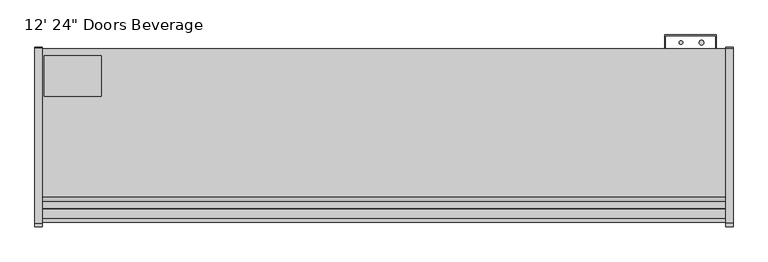
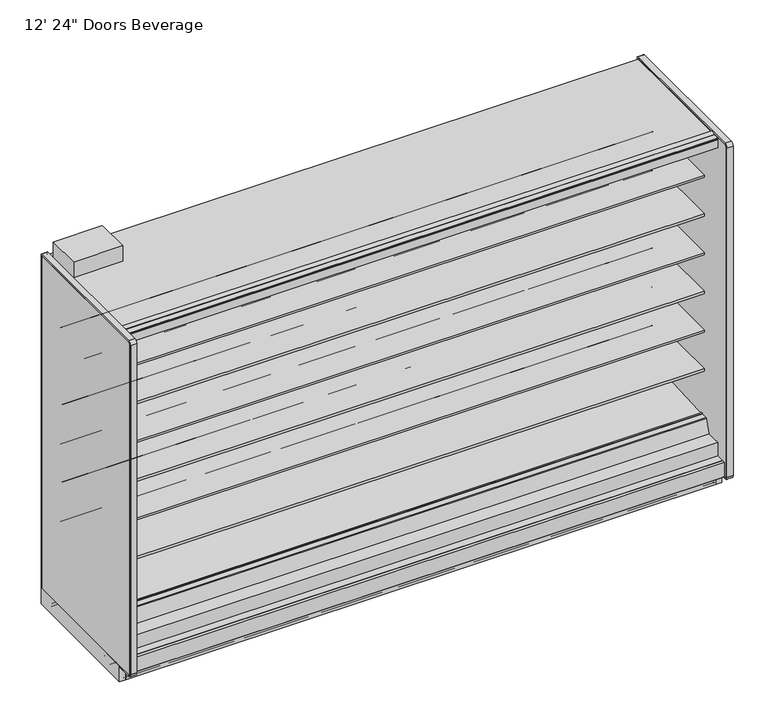
"""IFC4 building model written with IfcOpenShell, lengths in millimetres: proxy geometry."""

from ifc_helpers import new_model, si_unit, point, frame, frame_2d, origin, origin_with_axes, place, context, project, spatial, polyline, circle_curve, trimmed, segment, composite_curve, outline, extrude, source, transform, mapped, element, save
from ifc_brep_helpers import plane_surface, cylinder_surface, revolved_surface, advanced_brep


def proxy_402d285a(model_context):
    return source(origin(), model_context, "Body", "SolidModel", [
        extrude(outline(polyline([(3657.6, -1167.5349267), (3657.6, -1183.4099267), (0.0, -1183.4099267), (0.0, -1167.5349267), (3657.6, -1167.5349267)])), origin_with_axes(), (0.0, 0.0, 1.0), 105.16235),
        extrude(outline(polyline([(315.9000882, -386.7007273), (315.9000882, -605.1295388), (11.1115648, -605.1295388), (11.1115648, -386.7007273), (315.9000882, -386.7007273)])), frame((0.0, 0.0, 2282.825), z_axis=(0.0, 0.0, 1.0), x_axis=(1.0, 0.0, 0.0)), (0.0, 0.0, 1.0), 101.6),
        extrude(outline(composite_curve([segment(trimmed(circle_curve(frame_2d((3526.7930803, -317.2571273)), 12.7), [point((3514.0930803, -317.2571273))], [point((3539.4930803, -317.2571273))], False, "CARTESIAN"), True, "CONTINUOUS"), segment(trimmed(circle_curve(frame_2d((3526.7930803, -317.2571273)), 12.7), [point((3539.4930803, -317.2571273))], [point((3514.0930803, -317.2571273))], False, "CARTESIAN"), True, "CONTINUOUS")], self_intersect=False)), frame((0.0, 0.0, 1447.6965458), z_axis=(0.0, 0.0, 1.0), x_axis=(1.0, 0.0, 0.0)), (0.0, 0.0, 1.0), 508.0),
        extrude(outline(composite_curve([segment(trimmed(circle_curve(frame_2d((3416.8004524, -317.2571273)), 9.525), [point((3407.2754524, -317.2571273))], [point((3426.3254524, -317.2571273))], False, "CARTESIAN"), True, "CONTINUOUS"), segment(trimmed(circle_curve(frame_2d((3416.8004524, -317.2571273)), 9.525), [point((3426.3254524, -317.2571273))], [point((3407.2754524, -317.2571273))], False, "CARTESIAN"), True, "CONTINUOUS")], self_intersect=False)), frame((0.0, 0.0, 1447.6965458), z_axis=(0.0, 0.0, 1.0), x_axis=(1.0, 0.0, 0.0)), (0.0, 0.0, 1.0), 508.0),
        extrude(outline(composite_curve([segment(trimmed(circle_curve(frame_2d((3518.4004524, -526.8071273)), 9.525), [point((3508.8754524, -526.8071273))], [point((3527.9254524, -526.8071273))], False, "CARTESIAN"), True, "CONTINUOUS"), segment(trimmed(circle_curve(frame_2d((3518.4004524, -526.8071273)), 9.525), [point((3527.9254524, -526.8071273))], [point((3508.8754524, -526.8071273))], False, "CARTESIAN"), True, "CONTINUOUS")], self_intersect=False)), frame((0.0, 0.0, 57.8450688), z_axis=(0.0, 0.0, 1.0), x_axis=(1.0, 0.0, 0.0)), (0.0, 0.0, 1.0), 47.3172812),
        extrude(outline(composite_curve([segment(trimmed(circle_curve(frame_2d((3564.8930803, -526.8071273)), 12.7), [point((3552.1930803, -526.8071273))], [point((3577.5930803, -526.8071273))], False, "CARTESIAN"), True, "CONTINUOUS"), segment(trimmed(circle_curve(frame_2d((3564.8930803, -526.8071273)), 12.7), [point((3577.5930803, -526.8071273))], [point((3552.1930803, -526.8071273))], False, "CARTESIAN"), True, "CONTINUOUS")], self_intersect=False)), frame((0.0, 0.0, 57.8450688), z_axis=(0.0, 0.0, 1.0), x_axis=(1.0, 0.0, 0.0)), (0.0, 0.0, 1.0), 47.3172812),
        extrude(outline(composite_curve([segment(trimmed(circle_curve(frame_2d((1828.8, -945.9071273)), 38.1), [point((1790.7, -945.9071273))], [point((1866.9, -945.9071273))], False, "CARTESIAN"), True, "CONTINUOUS"), segment(trimmed(circle_curve(frame_2d((1828.8, -945.9071273)), 38.1), [point((1866.9, -945.9071273))], [point((1790.7, -945.9071273))], False, "CARTESIAN"), True, "CONTINUOUS")], self_intersect=False)), frame((0.0, 0.0, 57.8450688), z_axis=(0.0, 0.0, 1.0), x_axis=(1.0, 0.0, 0.0)), (0.0, 0.0, 1.0), 47.3172812),
        extrude(outline(polyline([(114.3, -411.7999572), (114.3, -462.5999572), (0.0, -462.5999572), (0.0, -411.7999572), (114.3, -411.7999572)])), frame((0.0, 0.0, 63.88735), z_axis=(0.0, 0.0, 1.0), x_axis=(1.0, 0.0, 0.0)), (0.0, 0.0, 1.0), 6.35),
        extrude(outline(polyline([(-349.0071273, 2231.5678), (-349.0071273, 105.16235), (-1256.6126273, 105.16235), (-1256.6126273, 201.2447768), (-1205.5205047, 201.2447768), (-1205.5205047, 169.3369447), (-1112.6665508, 150.0632248), (-401.0517273, 187.3573774), (-401.0517273, 2231.5678), (-349.0071273, 2231.5678)])), frame((0.0, 0.0, 0.0), z_axis=(1.0, 0.0, 0.0), x_axis=(0.0, 1.0, 0.0)), (0.0, 0.0, 1.0), 3657.6),
        advanced_brep(
        [(3657.6, -1018.871097, 105.16235), (3657.6, -1022.1071273, 101.9263197), (3657.6, -1022.1071273, 2.3876), (3657.6, -1019.7195273, 0.0), (3657.6, -982.0132273, 0.0), (3657.6, -982.0132273, 70.23735), (3657.6, -383.2457368, 70.23735), (3657.6, -383.2457368, 0.0), (3657.6, -351.3947273, 0.0), (3657.6, -349.0071273, 2.3876), (3657.6, -349.0071273, 100.830191), (3657.6, -353.3392863, 105.16235), (0.0, -1018.871097, 105.16235), (0.0, -353.3392863, 105.16235), (0.0, -349.0071273, 100.830191), (0.0, -349.0071273, 2.3876), (0.0, -351.3947273, 0.0), (0.0, -383.2457368, 0.0), (0.0, -383.2457368, 70.23735), (0.0, -982.0132273, 70.23735), (0.0, -982.0132273, 0.0), (0.0, -1019.7195273, 0.0), (0.0, -1022.1071273, 2.3876), (0.0, -1022.1071273, 101.9263197), (1879.6, -945.9071273, 105.16235), (1778.0, -945.9071273, 105.16235), (3594.1, -526.8071273, 105.16235), (3492.5, -526.8071273, 105.16235), (1793.0650095, -982.0132273, 70.23735), (1864.5349905, -982.0132273, 70.23735), (1879.6, -945.9071273, 70.23735), (1778.0, -945.9071273, 70.23735), (3492.5, -526.8071273, 70.23735), (3594.1, -526.8071273, 70.23735)],
        [
            (0, 1, circle_curve(frame((3657.6, -1018.871097, 101.9263197), z_axis=(1.0, 0.0, 0.0), x_axis=(0.0, 1.0, 0.0)), 3.2360303)),
            (1, 2),
            (2, 3, circle_curve(frame((3657.6, -1019.7195273, 2.3876), z_axis=(1.0, 0.0, 0.0), x_axis=(0.0, 1.0, 0.0)), 2.3876)),
            (3, 4),
            (4, 5),
            (5, 6),
            (6, 7),
            (7, 8),
            (8, 9, circle_curve(frame((3657.6, -351.3947273, 2.3876), z_axis=(1.0, 0.0, 0.0), x_axis=(0.0, 1.0, 0.0)), 2.3876)),
            (9, 10),
            (10, 11, circle_curve(frame((3657.6, -353.3392863, 100.830191), z_axis=(1.0, 0.0, 0.0), x_axis=(0.0, 1.0, 0.0)), 4.332159)),
            (11, 0),
            (12, 13),
            (13, 14, circle_curve(frame((0.0, -353.3392863, 100.830191), z_axis=(-1.0, 0.0, 0.0), x_axis=(0.0, 1.0, 0.0)), 4.332159)),
            (14, 15),
            (15, 16, circle_curve(frame((0.0, -351.3947273, 2.3876), z_axis=(-1.0, 0.0, 0.0), x_axis=(0.0, 1.0, 0.0)), 2.3876)),
            (16, 17),
            (17, 18),
            (18, 19),
            (19, 20),
            (20, 21),
            (21, 22, circle_curve(frame((0.0, -1019.7195273, 2.3876), z_axis=(-1.0, 0.0, 0.0), x_axis=(0.0, 1.0, 0.0)), 2.3876)),
            (22, 23),
            (23, 12, circle_curve(frame((0.0, -1018.871097, 101.9263197), z_axis=(-1.0, 0.0, 0.0), x_axis=(0.0, 1.0, 0.0)), 3.2360303)),
            (10, 14),
            (13, 11),
            (12, 0),
            (24, 25, circle_curve(frame((1828.8, -945.9071273, 105.16235), z_axis=(0.0, 0.0, -1.0), x_axis=(1.0, 0.0, 0.0)), 50.8)),
            (25, 24, circle_curve(frame((1828.8, -945.9071273, 105.16235), z_axis=(0.0, 0.0, -1.0), x_axis=(1.0, 0.0, 0.0)), 50.8)),
            (26, 27, circle_curve(frame((3543.3, -526.8071273, 105.16235), z_axis=(0.0, 0.0, -1.0), x_axis=(1.0, 0.0, 0.0)), 50.8)),
            (27, 26, circle_curve(frame((3543.3, -526.8071273, 105.16235), z_axis=(0.0, 0.0, -1.0), x_axis=(1.0, 0.0, 0.0)), 50.8)),
            (23, 1),
            (22, 2),
            (21, 3),
            (20, 4),
            (19, 28),
            (28, 29),
            (29, 5),
            (29, 30, circle_curve(frame((1828.8, -945.9071273, 70.23735), z_axis=(0.0, 0.0, 1.0), x_axis=(1.0, 0.0, 0.0)), 50.8)),
            (30, 31, circle_curve(frame((1828.8, -945.9071273, 70.23735), z_axis=(0.0, 0.0, 1.0), x_axis=(1.0, 0.0, 0.0)), 50.8)),
            (31, 28, circle_curve(frame((1828.8, -945.9071273, 70.23735), z_axis=(0.0, 0.0, 1.0), x_axis=(1.0, 0.0, 0.0)), 50.8)),
            (18, 6),
            (32, 33, circle_curve(frame((3543.3, -526.8071273, 70.23735), z_axis=(0.0, 0.0, 1.0), x_axis=(1.0, 0.0, 0.0)), 50.8)),
            (33, 32, circle_curve(frame((3543.3, -526.8071273, 70.23735), z_axis=(0.0, 0.0, 1.0), x_axis=(1.0, 0.0, 0.0)), 50.8)),
            (17, 7),
            (16, 8),
            (15, 9),
            (28, 29, circle_curve(frame((1828.8, -945.9071273, 70.23735), z_axis=(0.0, 0.0, 1.0), x_axis=(1.0, 0.0, 0.0)), 50.8)),
            (24, 30),
            (31, 25),
            (32, 27),
            (26, 33),
        ],
        [
            plane_surface(frame((3657.6, -1015.6350667, 101.9263197), z_axis=(1.0, 0.0, 0.0), x_axis=(0.0, 0.0, 1.0))),
            plane_surface(frame((0.0, -1015.6350667, 101.9263197), z_axis=(-1.0, 0.0, 0.0), x_axis=(0.0, 0.0, -1.0))),
            cylinder_surface(frame((0.0, -353.3392863, 100.830191), z_axis=(1.0, 0.0, 0.0), x_axis=(0.0, 1.0, 0.0)), 4.332159),
            plane_surface(frame((3657.6, -353.3392863, 105.16235), z_axis=(0.0, 0.0, 1.0), x_axis=(-1.0, 0.0, 0.0))),
            cylinder_surface(frame((0.0, -1018.871097, 101.9263197), z_axis=(1.0, 0.0, 0.0), x_axis=(0.0, 1.0, 0.0)), 3.2360303),
            plane_surface(frame((3657.6, -1022.1071273, 101.9263197), z_axis=(0.0, -1.0, 0.0), x_axis=(-1.0, 0.0, 0.0))),
            cylinder_surface(frame((0.0, -1019.7195273, 2.3876), z_axis=(1.0, 0.0, 0.0), x_axis=(0.0, 1.0, 0.0)), 2.3876),
            plane_surface(frame((3657.6, -1019.7195273, 0.0), z_axis=(0.0, 0.0, -1.0), x_axis=(-1.0, 0.0, 0.0))),
            plane_surface(frame((3657.6, -982.0132273, 0.0), z_axis=(0.0, 1.0, 0.0), x_axis=(-1.0, 0.0, 0.0))),
            plane_surface(frame((3657.6, -982.0132273, 70.23735), z_axis=(0.0, 0.0, -1.0), x_axis=(-1.0, 0.0, 0.0))),
            plane_surface(frame((3657.6, -383.2457368, 70.23735), z_axis=(0.0, -1.0, 0.0), x_axis=(-1.0, 0.0, 0.0))),
            plane_surface(frame((3657.6, -383.2457368, 0.0), z_axis=(0.0, 0.0, -1.0), x_axis=(-1.0, 0.0, 0.0))),
            cylinder_surface(frame((0.0, -351.3947273, 2.3876), z_axis=(1.0, 0.0, 0.0), x_axis=(0.0, 1.0, 0.0)), 2.3876),
            plane_surface(frame((1879.6, -945.9071273, 70.23735), z_axis=(0.0, 0.0, 1.0), x_axis=(0.0, -1.0, 0.0))),
            revolved_surface(polyline([(1879.6, -945.9071273, 105.16235), (1879.6, -945.9071273, 70.23735)]), (1828.8, -945.9071273, 70.23735), (0.0, 0.0, 1.0)),
            revolved_surface(polyline([(3594.1000000000004, -526.8071273, 105.16235), (3594.1000000000004, -526.8071273, 70.23735)]), (3543.3, -526.8071273, 0.0), (0.0, 0.0, 1.0)),
            plane_surface(frame((3657.6, -349.0071273, 2.3876), z_axis=(0.0, 1.0, 0.0), x_axis=(-1.0, 0.0, 0.0))),
        ],
        [
            (0, [[1, 2, 3, 4, 5, 6, 7, 8, 9, 10, 11, 12]]),
            (1, [[13, 14, 15, 16, 17, 18, 19, 20, 21, 22, 23, 24]]),
            (2, [[-11, 25, -14, 26]]),
            (3, [[-12, -26, -13, 27], [28, 29], [30, 31]]),
            (4, [[-1, -27, -24, 32]]),
            (5, [[-2, -32, -23, 33]]),
            (6, [[-3, -33, -22, 34]]),
            (7, [[-4, -34, -21, 35]]),
            (8, [[-5, -35, -20, 36, 37, 38]]),
            (9, [[-6, -38, 39, 40, 41, -36, -19, 42], [43, 44]]),
            (10, [[-7, -42, -18, 45]]),
            (11, [[-8, -45, -17, 46]]),
            (12, [[-9, -46, -16, 47]]),
            (13, [[48, -37]]),
            (14, [[49, -39, -48, -41, 50, -28]]),
            (14, [[-49, -29, -50, -40]]),
            (15, [[51, -30, 52, -43]]),
            (15, [[-51, -44, -52, -31]]),
            (16, [[-10, -47, -15, -25]]),
        ],
    ),
        extrude(outline(polyline([(3330.575, -349.0071273), (3330.575, -275.9821273), (3606.8, -275.9821273), (3606.8, -349.0071273), (3603.625, -349.0071273), (3603.625, -279.1571273), (3333.75, -279.1571273), (3333.75, -349.0071273), (3330.575, -349.0071273)])), frame((0.0, 0.0, 304.927), z_axis=(0.0, 0.0, 1.0), x_axis=(1.0, 0.0, 0.0)), (0.0, 0.0, 1.0), 1523.3666145),
        extrude(outline(composite_curve([segment(polyline([(-452.3089273, 610.906076), (-470.5727913, 610.5955195)]), True, "CONTINUOUS"), segment(trimmed(circle_curve(frame_2d((-471.0046274, 635.9918483)), 25.4), [point((-470.5727913, 610.5955195))], [point((-486.9819836, 616.2463656))], False, "CARTESIAN"), True, "CONTINUOUS"), segment(polyline([(-486.9819836, 616.2463656), (-504.8340447, 630.6916311)]), True, "CONTINUOUS"), segment(trimmed(circle_curve(frame_2d((-544.7774354, 581.3279244)), 63.5), [point((-504.8340447, 630.6916311))], [point((-536.8795542, 644.3348563))], True, "CARTESIAN"), True, "CONTINUOUS"), segment(polyline([(-536.8795542, 644.3348563), (-751.3282218, 668.0319937), (-752.8169983, 671.4725458), (-1061.9089273, 671.4725458), (-1061.9089273, 685.6965458), (-452.3089273, 685.6965458), (-452.3089273, 610.906076)]), True, "CONTINUOUS")], self_intersect=False)), frame((0.0, 0.0, 0.0), z_axis=(1.0, 0.0, 0.0), x_axis=(0.0, 1.0, 0.0)), (0.0, 0.0, 1.0), 3657.6),
        extrude(outline(composite_curve([segment(polyline([(-452.3089273, 864.906076), (-470.5727913, 864.5955195)]), True, "CONTINUOUS"), segment(trimmed(circle_curve(frame_2d((-471.0046274, 889.9918483)), 25.4), [point((-470.5727913, 864.5955195))], [point((-486.9819836, 870.2463656))], False, "CARTESIAN"), True, "CONTINUOUS"), segment(polyline([(-486.9819836, 870.2463656), (-504.8340447, 884.6916311)]), True, "CONTINUOUS"), segment(trimmed(circle_curve(frame_2d((-544.7774354, 835.3279244)), 63.5), [point((-504.8340447, 884.6916311))], [point((-536.8795542, 898.3348563))], True, "CARTESIAN"), True, "CONTINUOUS"), segment(polyline([(-536.8795542, 898.3348563), (-751.3282218, 922.0319937), (-752.8169983, 925.4725458), (-1061.9089273, 925.4725458), (-1061.9089273, 939.6965458), (-452.3089273, 939.6965458), (-452.3089273, 864.906076)]), True, "CONTINUOUS")], self_intersect=False)), frame((0.0, 0.0, 0.0), z_axis=(1.0, 0.0, 0.0), x_axis=(0.0, 1.0, 0.0)), (0.0, 0.0, 1.0), 3657.6),
        extrude(outline(composite_curve([segment(polyline([(-452.3089273, 1118.906076), (-470.5727913, 1118.5955195)]), True, "CONTINUOUS"), segment(trimmed(circle_curve(frame_2d((-471.0046274, 1143.9918483)), 25.4), [point((-470.5727913, 1118.5955195))], [point((-486.9819836, 1124.2463656))], False, "CARTESIAN"), True, "CONTINUOUS"), segment(polyline([(-486.9819836, 1124.2463656), (-504.8340447, 1138.6916311)]), True, "CONTINUOUS"), segment(trimmed(circle_curve(frame_2d((-544.7774354, 1089.3279244)), 63.5), [point((-504.8340447, 1138.6916311))], [point((-536.8795542, 1152.3348563))], True, "CARTESIAN"), True, "CONTINUOUS"), segment(polyline([(-536.8795542, 1152.3348563), (-751.3282218, 1176.0319937), (-752.8169983, 1179.4725458), (-1061.9089273, 1179.4725458), (-1061.9089273, 1193.6965458), (-452.3089273, 1193.6965458), (-452.3089273, 1118.906076)]), True, "CONTINUOUS")], self_intersect=False)), frame((0.0, 0.0, 0.0), z_axis=(1.0, 0.0, 0.0), x_axis=(0.0, 1.0, 0.0)), (0.0, 0.0, 1.0), 3657.6),
        extrude(outline(composite_curve([segment(polyline([(-452.3089273, 1372.906076), (-470.5727913, 1372.5955195)]), True, "CONTINUOUS"), segment(trimmed(circle_curve(frame_2d((-471.0046274, 1397.9918483)), 25.4), [point((-470.5727913, 1372.5955195))], [point((-486.9819836, 1378.2463656))], False, "CARTESIAN"), True, "CONTINUOUS"), segment(polyline([(-486.9819836, 1378.2463656), (-504.8340447, 1392.6916311)]), True, "CONTINUOUS"), segment(trimmed(circle_curve(frame_2d((-544.7774354, 1343.3279244)), 63.5), [point((-504.8340447, 1392.6916311))], [point((-536.8795542, 1406.3348563))], True, "CARTESIAN"), True, "CONTINUOUS"), segment(polyline([(-536.8795542, 1406.3348563), (-751.3282218, 1430.0319937), (-752.8169983, 1433.4725458), (-1061.9089273, 1433.4725458), (-1061.9089273, 1447.6965458), (-452.3089273, 1447.6965458), (-452.3089273, 1372.906076)]), True, "CONTINUOUS")], self_intersect=False)), frame((0.0, 0.0, 0.0), z_axis=(1.0, 0.0, 0.0), x_axis=(0.0, 1.0, 0.0)), (0.0, 0.0, 1.0), 3657.6),
        extrude(outline(composite_curve([segment(polyline([(-452.3089273, 1626.906076), (-470.5727913, 1626.5955195)]), True, "CONTINUOUS"), segment(trimmed(circle_curve(frame_2d((-471.0046274, 1651.9918483)), 25.4), [point((-470.5727913, 1626.5955195))], [point((-486.9819836, 1632.2463656))], False, "CARTESIAN"), True, "CONTINUOUS"), segment(polyline([(-486.9819836, 1632.2463656), (-504.8340447, 1646.6916311)]), True, "CONTINUOUS"), segment(trimmed(circle_curve(frame_2d((-544.7774354, 1597.3279244)), 63.5), [point((-504.8340447, 1646.6916311))], [point((-536.8795542, 1660.3348563))], True, "CARTESIAN"), True, "CONTINUOUS"), segment(polyline([(-536.8795542, 1660.3348563), (-751.3282218, 1684.0319937), (-752.8169983, 1687.4725458), (-1061.9089273, 1687.4725458), (-1061.9089273, 1701.6965458), (-452.3089273, 1701.6965458), (-452.3089273, 1626.906076)]), True, "CONTINUOUS")], self_intersect=False)), frame((0.0, 0.0, 0.0), z_axis=(1.0, 0.0, 0.0), x_axis=(0.0, 1.0, 0.0)), (0.0, 0.0, 1.0), 3657.6),
        extrude(outline(composite_curve([segment(polyline([(-452.3089273, 1880.906076), (-470.5727913, 1880.5955195)]), True, "CONTINUOUS"), segment(trimmed(circle_curve(frame_2d((-471.0046274, 1905.9918483)), 25.4), [point((-470.5727913, 1880.5955195))], [point((-486.9819836, 1886.2463656))], False, "CARTESIAN"), True, "CONTINUOUS"), segment(polyline([(-486.9819836, 1886.2463656), (-504.8340447, 1900.6916311)]), True, "CONTINUOUS"), segment(trimmed(circle_curve(frame_2d((-544.7774354, 1851.3279244)), 63.5), [point((-504.8340447, 1900.6916311))], [point((-536.8795542, 1914.3348563))], True, "CARTESIAN"), True, "CONTINUOUS"), segment(polyline([(-536.8795542, 1914.3348563), (-751.3282218, 1938.0319937), (-752.8169983, 1941.4725458), (-1061.9089273, 1941.4725458), (-1061.9089273, 1955.6965458), (-452.3089273, 1955.6965458), (-452.3089273, 1880.906076)]), True, "CONTINUOUS")], self_intersect=False)), frame((0.0, 0.0, 0.0), z_axis=(1.0, 0.0, 0.0), x_axis=(0.0, 1.0, 0.0)), (0.0, 0.0, 1.0), 3657.6),
        advanced_brep(
        [(3657.6, -562.1054156, 392.489408), (3657.6, -565.4345004, 395.3833373), (3657.6, -1028.1778581, 371.1319845), (3657.6, -1031.8816746, 374.3516629), (3657.6, -1032.3723429, 379.9600263), (3657.6, -1039.3602618, 380.0840123), (3657.6, -1037.6796074, 360.8740328), (3657.6, -1031.0214377, 355.0861739), (3657.6, -564.4043684, 379.5405382), (3657.6, -561.4040704, 382.9438378), (0.0, -562.1054156, 392.489408), (0.0, -561.4040704, 382.9438378), (0.0, -564.4043684, 379.5405382), (0.0, -1031.0214377, 355.0861739), (0.0, -1037.6796074, 360.8740328), (0.0, -1039.3602618, 380.0840123), (0.0, -1032.4336802, 379.95466), (0.0, -1031.8816746, 374.3516629), (0.0, -1028.1778581, 371.1319845), (0.0, -565.4345004, 395.3833373)],
        [
            (0, 1, circle_curve(frame((3657.6, -565.2683338, 392.2126885), z_axis=(1.0, 0.0, 0.0), x_axis=(0.0, 1.0, 0.0)), 3.175)),
            (1, 2),
            (2, 3, circle_curve(frame((3657.6, -1028.362729, 374.6595308), z_axis=(-1.0, 0.0, 0.0), x_axis=(0.0, 1.0, 0.0)), 3.5323874)),
            (3, 4),
            (4, 5, circle_curve(frame((3657.6, -1035.9038485, 379.6510595), z_axis=(1.0, 0.0, 0.0), x_axis=(0.0, 1.0, 0.0)), 3.4834238)),
            (5, 6),
            (6, 7, circle_curve(frame((3657.6, -1031.353771, 361.4274714), z_axis=(1.0, 0.0, 0.0), x_axis=(0.0, 1.0, 0.0)), 6.35)),
            (7, 8),
            (8, 9, circle_curve(frame((3657.6, -564.5705351, 382.711187), z_axis=(1.0, 0.0, 0.0), x_axis=(0.0, 1.0, 0.0)), 3.175)),
            (9, 0),
            (10, 11),
            (11, 12, circle_curve(frame((0.0, -564.5705351, 382.711187), z_axis=(-1.0, 0.0, 0.0), x_axis=(0.0, 1.0, 0.0)), 3.175)),
            (12, 13),
            (13, 14, circle_curve(frame((0.0, -1031.353771, 361.4274714), z_axis=(-1.0, 0.0, 0.0), x_axis=(0.0, 1.0, 0.0)), 6.35)),
            (14, 15),
            (15, 16, circle_curve(frame((0.0, -1035.9038485, 379.6510595), z_axis=(-1.0, 0.0, 0.0), x_axis=(0.0, 1.0, 0.0)), 3.4834238)),
            (16, 17),
            (17, 18, circle_curve(frame((0.0, -1028.362729, 374.6595308), z_axis=(1.0, 0.0, 0.0), x_axis=(0.0, 1.0, 0.0)), 3.5323874)),
            (18, 19),
            (19, 10, circle_curve(frame((0.0, -565.2683338, 392.2126885), z_axis=(-1.0, 0.0, 0.0), x_axis=(0.0, 1.0, 0.0)), 3.175)),
            (0, 10),
            (19, 1),
            (18, 2),
            (17, 3),
            (16, 4),
            (15, 5),
            (14, 6),
            (13, 7),
            (12, 8),
            (11, 9),
        ],
        [
            plane_surface(frame((3657.6, -562.0933338, 392.2126885), z_axis=(1.0, 0.0, 0.0), x_axis=(0.0, 0.0, 1.0))),
            plane_surface(frame((0.0, -562.0933338, 392.2126885), z_axis=(-1.0, 0.0, 0.0), x_axis=(0.0, 0.0, -1.0))),
            cylinder_surface(frame((0.0, -565.2683338, 392.2126885), z_axis=(1.0, 0.0, 0.0), x_axis=(0.0, 1.0, 0.0)), 3.175),
            plane_surface(frame((3657.6, -565.4345004, 395.3833373), z_axis=(0.0, -0.05233595857633936, 0.9986295346322859), x_axis=(-1.0, 0.0, 0.0))),
            revolved_surface(polyline([(0.0, -1024.8303415999999, 374.6595308), (3657.6, -1024.8303415999999, 374.6595308)]), (0.0, -1028.362729, 374.6595308), (-1.0, 0.0, 0.0)),
            plane_surface(frame((3657.6, -1031.8816746, 374.3516629), z_axis=(0.0, 0.9961946955698885, 0.08715577157261226), x_axis=(-1.0, 0.0, 0.0))),
            cylinder_surface(frame((0.0, -1035.9038485, 379.6510595), z_axis=(1.0, 0.0, 0.0), x_axis=(0.0, 1.0, 0.0)), 3.4834238),
            plane_surface(frame((3657.6, -1039.3602618, 380.0840123), z_axis=(0.0, -0.9961947025639891, -0.08715569162966595), x_axis=(-1.0, 0.0, 0.0))),
            cylinder_surface(frame((0.0, -1031.353771, 361.4274714), z_axis=(1.0, 0.0, 0.0), x_axis=(0.0, 1.0, 0.0)), 6.35),
            plane_surface(frame((3657.6, -1031.0214377, 355.0861739), z_axis=(0.0, 0.05233595624300962, -0.9986295347545704), x_axis=(-1.0, 0.0, 0.0))),
            cylinder_surface(frame((0.0, -564.5705351, 382.711187), z_axis=(1.0, 0.0, 0.0), x_axis=(0.0, 1.0, 0.0)), 3.175),
            plane_surface(frame((3657.6, -561.4040704, 382.9438378), z_axis=(0.0, 0.9973117114183065, 0.07327585050948633), x_axis=(-1.0, 0.0, 0.0))),
        ],
        [
            (0, [[1, 2, 3, 4, 5, 6, 7, 8, 9, 10]]),
            (1, [[11, 12, 13, 14, 15, 16, 17, 18, 19, 20]]),
            (2, [[-1, 21, -20, 22]]),
            (3, [[-2, -22, -19, 23]]),
            (4, [[-3, -23, -18, 24]]),
            (5, [[-4, -24, -17, 25]]),
            (6, [[-5, -25, -16, 26]]),
            (7, [[-6, -26, -15, 27]]),
            (8, [[-7, -27, -14, 28]]),
            (9, [[-8, -28, -13, 29]]),
            (10, [[-9, -29, -12, 30]]),
            (11, [[-10, -30, -11, -21]]),
        ],
    ),
        extrude(outline(composite_curve([segment(polyline([(-452.3089273, 2205.7106), (-1055.5314174, 2205.7106), (-1076.6649541, 2210.5896614), (-1079.1443307, 2198.9251118)]), True, "CONTINUOUS"), segment(trimmed(circle_curve(frame_2d((-1080.6350276, 2199.2419692)), 1.524), [point((-1079.1443307, 2198.9251118))], [point((-1080.9518851, 2197.7512722))], False, "CARTESIAN"), True, "CONTINUOUS"), segment(polyline([(-1080.9518851, 2197.7512722), (-1146.9989273, 2211.7900045), (-1146.9989273, 2210.4040825)]), True, "CONTINUOUS"), segment(trimmed(circle_curve(frame_2d((-1149.3773588, 2210.6131219)), 2.3876), [point((-1146.9989273, 2210.4040825))], [point((-1149.3773097, 2208.2255219))], False, "CARTESIAN"), True, "CONTINUOUS"), segment(polyline([(-1149.3773097, 2208.2255219), (-1160.0080838, 2208.2253035), (-1160.0080838, 2223.5012119), (-1205.5205273, 2223.5012119), (-1205.5205273, 2282.0376)]), True, "CONTINUOUS"), segment(trimmed(circle_curve(frame_2d((-1204.7331273, 2282.0376)), 0.7874), [point((-1205.5205273, 2282.0376))], [point((-1204.7331273, 2282.825))], False, "CARTESIAN"), True, "CONTINUOUS"), segment(polyline([(-1204.7331273, 2282.825), (-349.0071273, 2282.825), (-349.0071273, 2231.5678), (-452.3089273, 2231.5678), (-452.3089273, 2205.7106)]), True, "CONTINUOUS")], self_intersect=False)), frame((0.0, 0.0, 0.0), z_axis=(1.0, 0.0, 0.0), x_axis=(0.0, 1.0, 0.0)), (0.0, 0.0, 1.0), 3657.6),
        extrude(outline(composite_curve([segment(polyline([(-1263.5976273, 105.16235), (-1274.6466273, 105.16235)]), True, "CONTINUOUS"), segment(trimmed(circle_curve(frame_2d((-1274.6466273, 106.81335)), 1.651), [point((-1274.6466273, 105.16235))], [point((-1276.2976273, 106.81335))], False, "CARTESIAN"), True, "CONTINUOUS"), segment(polyline([(-1276.2976273, 106.81335), (-1276.2976273, 201.2447768), (-1256.6126273, 201.2447768), (-1256.6126273, 106.62285), (-1263.5976273, 106.62285), (-1263.5976273, 105.16235)]), True, "CONTINUOUS")], self_intersect=False)), frame((0.0, 0.0, 0.0), z_axis=(1.0, 0.0, 0.0), x_axis=(0.0, 1.0, 0.0)), (0.0, 0.0, 1.0), 3657.6),
        extrude(outline(composite_curve([segment(polyline([(-1205.5205047, 288.3361558), (-1111.5273572, 288.3361558), (-1083.6940162, 372.3488205)]), True, "CONTINUOUS"), segment(trimmed(circle_curve(frame_2d((-1077.6662092, 370.3518119)), 6.35), [point((-1083.6940162, 372.3488205))], [point((-1077.6662092, 376.7018119))], False, "CARTESIAN"), True, "CONTINUOUS"), segment(polyline([(-1077.6662092, 376.7018119), (-1043.9140632, 376.7018119)]), True, "CONTINUOUS"), segment(trimmed(circle_curve(frame_2d((-1043.9140632, 372.471676)), 4.2301359), [point((-1043.9140632, 376.7018119))], [point((-1039.6839273, 372.471676))], False, "CARTESIAN"), True, "CONTINUOUS"), segment(polyline([(-1039.6839273, 372.471676), (-1039.6839273, 354.632192), (-560.553361, 379.742361), (-560.9721481, 391.7348557)]), True, "CONTINUOUS"), segment(trimmed(circle_curve(frame_2d((-556.4536725, 391.8926443)), 4.5212298), [point((-560.9721481, 391.7348557))], [point((-556.6114611, 396.41112))], False, "CARTESIAN"), True, "CONTINUOUS"), segment(polyline([(-556.6114611, 396.41112), (-470.3276537, 399.4242169)]), True, "CONTINUOUS"), segment(trimmed(circle_curve(frame_2d((-470.3772309, 400.8439205)), 1.420569), [point((-470.3276537, 399.4242169))], [point((-468.9575273, 400.8934976))], True, "CARTESIAN"), True, "CONTINUOUS"), segment(polyline([(-468.9575273, 400.8934976), (-469.2184151, 408.3643476)]), True, "CONTINUOUS"), segment(trimmed(circle_curve(frame_2d((-467.1682375, 408.4359413)), 2.0514273), [point((-469.2184151, 408.3643476))], [point((-467.2398313, 410.486119))], False, "CARTESIAN"), True, "CONTINUOUS"), segment(polyline([(-467.2398313, 410.486119), (-452.3089273, 411.0075176), (-452.3089273, 263.5334166), (-401.0517273, 263.5334166), (-401.0517273, 187.3573774), (-1112.6665508, 150.0632248), (-1205.5205047, 169.3369447), (-1205.5205047, 288.3361558)]), True, "CONTINUOUS")], self_intersect=False)), frame((0.0, 0.0, 0.0), z_axis=(1.0, 0.0, 0.0), x_axis=(0.0, 1.0, 0.0)), (0.0, 0.0, 1.0), 3657.6),
        extrude(outline(polyline([(3657.6, -401.0517273), (3657.6, -452.3089273), (0.0, -452.3089273), (0.0, -401.0517273), (3657.6, -401.0517273)])), frame((0.0, 0.0, 263.5334166), z_axis=(0.0, 0.0, 1.0), x_axis=(1.0, 0.0, 0.0)), (0.0, 0.0, 1.0), 1968.0343834),
        extrude(outline(composite_curve([segment(polyline([(-996.7011791, 30.0863), (-1022.1071273, 30.150134), (-1022.1071273, 1.512412), (-1162.480805, 1.5240398)]), True, "CONTINUOUS"), segment(trimmed(circle_curve(frame_2d((-1162.4803863, 6.5785802)), 5.0545404), [point((-1162.480805, 1.5240398))], [point((-1167.5349267, 6.5785802))], False, "CARTESIAN"), True, "CONTINUOUS"), segment(polyline([(-1167.5349267, 6.5785802), (-1167.5349267, 105.16235), (-996.7011791, 105.16235), (-996.7011791, 30.0863)]), True, "CONTINUOUS")], self_intersect=False)), frame((0.0, 0.0, 0.0), z_axis=(1.0, 0.0, 0.0), x_axis=(0.0, 1.0, 0.0)), (0.0, 0.0, 1.0), 3657.6),
        extrude(outline(composite_curve([segment(polyline([(-981.2258273, 0.0), (-1016.1381273, 0.0)]), True, "CONTINUOUS"), segment(trimmed(circle_curve(frame_2d((-1016.1381273, 5.1562)), 5.1562), [point((-1016.1381273, 0.0))], [point((-1021.2943273, 5.1562))], False, "CARTESIAN"), True, "CONTINUOUS"), segment(polyline([(-1021.2943273, 5.1562), (-1021.2943273, 24.892), (-1018.5257273, 24.892), (-1018.5257273, 5.1562)]), True, "CONTINUOUS"), segment(trimmed(circle_curve(frame_2d((-1016.1381273, 5.1562)), 2.3876), [point((-1018.5257273, 5.1562))], [point((-1016.1381273, 2.7686))], True, "CARTESIAN"), True, "CONTINUOUS"), segment(polyline([(-1016.1381273, 2.7686), (-981.2258273, 2.7686)]), True, "CONTINUOUS"), segment(trimmed(circle_curve(frame_2d((-981.2258273, 5.1562)), 2.3876), [point((-981.2258273, 2.7686))], [point((-978.8382273, 5.1562))], True, "CARTESIAN"), True, "CONTINUOUS"), segment(polyline([(-978.8382273, 5.1562), (-978.8382273, 20.5359)]), True, "CONTINUOUS"), segment(trimmed(circle_curve(frame_2d((-973.6820273, 20.5359)), 5.1562), [point((-978.8382273, 20.5359))], [point((-973.6820273, 25.6921))], False, "CARTESIAN"), True, "CONTINUOUS"), segment(polyline([(-973.6820273, 25.6921), (-962.4552273, 25.6921)]), True, "CONTINUOUS"), segment(trimmed(circle_curve(frame_2d((-962.4552273, 20.5359)), 5.1562), [point((-962.4552273, 25.6921))], [point((-957.2990273, 20.5359))], False, "CARTESIAN"), True, "CONTINUOUS"), segment(polyline([(-957.2990273, 20.5359), (-957.2990273, 5.1054), (-960.0676273, 5.1054), (-960.0676273, 20.5359)]), True, "CONTINUOUS"), segment(trimmed(circle_curve(frame_2d((-962.4552273, 20.5359)), 2.3876), [point((-960.0676273, 20.5359))], [point((-962.4552273, 22.9235))], True, "CARTESIAN"), True, "CONTINUOUS"), segment(polyline([(-962.4552273, 22.9235), (-973.6820273, 22.9235)]), True, "CONTINUOUS"), segment(trimmed(circle_curve(frame_2d((-973.6820273, 20.5359)), 2.3876), [point((-973.6820273, 22.9235))], [point((-976.0696273, 20.5359))], True, "CARTESIAN"), True, "CONTINUOUS"), segment(polyline([(-976.0696273, 20.5359), (-976.0696273, 5.1562)]), True, "CONTINUOUS"), segment(trimmed(circle_curve(frame_2d((-981.2258273, 5.1562)), 5.1562), [point((-976.0696273, 5.1562))], [point((-981.2258273, 0.0))], False, "CARTESIAN"), True, "CONTINUOUS")], self_intersect=False)), frame((0.0, 0.0, 0.0), z_axis=(1.0, 0.0, 0.0), x_axis=(0.0, 1.0, 0.0)), (0.0, 0.0, 1.0), 3657.6),
        extrude(outline(composite_curve([segment(trimmed(circle_curve(frame_2d((-389.0756273, 5.1562)), 5.1562), [point((-389.0756273, 0.0))], [point((-394.2318273, 5.1562))], False, "CARTESIAN"), True, "CONTINUOUS"), segment(polyline([(-394.2318273, 5.1562), (-394.2318273, 20.5359)]), True, "CONTINUOUS"), segment(trimmed(circle_curve(frame_2d((-396.6194273, 20.5359)), 2.3876), [point((-394.2318273, 20.5359))], [point((-396.6194273, 22.9235))], True, "CARTESIAN"), True, "CONTINUOUS"), segment(polyline([(-396.6194273, 22.9235), (-407.8462273, 22.9235)]), True, "CONTINUOUS"), segment(trimmed(circle_curve(frame_2d((-407.8462273, 20.5359)), 2.3876), [point((-407.8462273, 22.9235))], [point((-410.2338273, 20.5359))], True, "CARTESIAN"), True, "CONTINUOUS"), segment(polyline([(-410.2338273, 20.5359), (-410.2338273, 5.1054), (-413.0024273, 5.1054), (-413.0024273, 20.5359)]), True, "CONTINUOUS"), segment(trimmed(circle_curve(frame_2d((-407.8462273, 20.5359)), 5.1562), [point((-413.0024273, 20.5359))], [point((-407.8462273, 25.6921))], False, "CARTESIAN"), True, "CONTINUOUS"), segment(polyline([(-407.8462273, 25.6921), (-396.6194273, 25.6921)]), True, "CONTINUOUS"), segment(trimmed(circle_curve(frame_2d((-396.6194273, 20.5359)), 5.1562), [point((-396.6194273, 25.6921))], [point((-391.4632273, 20.5359))], False, "CARTESIAN"), True, "CONTINUOUS"), segment(polyline([(-391.4632273, 20.5359), (-391.4632273, 5.1562)]), True, "CONTINUOUS"), segment(trimmed(circle_curve(frame_2d((-389.0756273, 5.1562)), 2.3876), [point((-391.4632273, 5.1562))], [point((-389.0756273, 2.7686))], True, "CARTESIAN"), True, "CONTINUOUS"), segment(polyline([(-389.0756273, 2.7686), (-354.1633273, 2.7686)]), True, "CONTINUOUS"), segment(trimmed(circle_curve(frame_2d((-354.1633273, 5.1562)), 2.3876), [point((-354.1633273, 2.7686))], [point((-351.7757273, 5.1562))], True, "CARTESIAN"), True, "CONTINUOUS"), segment(polyline([(-351.7757273, 5.1562), (-351.7757273, 24.892), (-349.0071273, 24.892), (-349.0071273, 5.1562)]), True, "CONTINUOUS"), segment(trimmed(circle_curve(frame_2d((-354.1633273, 5.1562)), 5.1562), [point((-349.0071273, 5.1562))], [point((-354.1633273, 0.0))], False, "CARTESIAN"), True, "CONTINUOUS"), segment(polyline([(-354.1633273, 0.0), (-389.0756273, 0.0)]), True, "CONTINUOUS")], self_intersect=False)), frame((0.0, 0.0, 0.0), z_axis=(1.0, 0.0, 0.0), x_axis=(0.0, 1.0, 0.0)), (0.0, 0.0, 1.0), 3657.6),
        extrude(outline(composite_curve([segment(polyline([(-1144.001082, 2296.5368641), (-1143.416882, 2295.525), (-1164.9600823, 2283.0870275)]), True, "CONTINUOUS"), segment(trimmed(circle_curve(frame_2d((-1165.9379823, 2284.7808)), 1.9558), [point((-1164.9600823, 2283.0870275))], [point((-1165.9379823, 2282.825))], False, "CARTESIAN"), True, "CONTINUOUS"), segment(polyline([(-1165.9379823, 2282.825), (-1204.7331273, 2282.825)]), True, "CONTINUOUS"), segment(trimmed(circle_curve(frame_2d((-1204.7331273, 2282.0376)), 0.7874), [point((-1204.7331273, 2282.825))], [point((-1205.5205273, 2282.0376))], True, "CARTESIAN"), True, "CONTINUOUS"), segment(polyline([(-1205.5205273, 2282.0376), (-1205.5205273, 2273.7945109), (-1206.6889273, 2273.7945109), (-1206.6889273, 2282.0376)]), True, "CONTINUOUS"), segment(trimmed(circle_curve(frame_2d((-1204.7331273, 2282.0376)), 1.9558), [point((-1206.6889273, 2282.0376))], [point((-1204.7331273, 2283.9934))], False, "CARTESIAN"), True, "CONTINUOUS"), segment(polyline([(-1204.7331273, 2283.9934), (-1166.4578095, 2283.9934)]), True, "CONTINUOUS"), segment(trimmed(circle_curve(frame_2d((-1166.4578095, 2286.7208214)), 2.7274214), [point((-1166.4578095, 2283.9934))], [point((-1165.0940988, 2284.3588052))], True, "CARTESIAN"), True, "CONTINUOUS"), segment(polyline([(-1165.0940988, 2284.3588052), (-1144.001082, 2296.5368641)]), True, "CONTINUOUS")], self_intersect=False)), frame((0.0, 0.0, 0.0), z_axis=(1.0, 0.0, 0.0), x_axis=(0.0, 1.0, 0.0)), (0.0, 0.0, 1.0), 3657.6),
        extrude(outline(polyline([(3695.7, -341.3672835), (3695.7, -1183.4099267), (3657.6, -1183.4099267), (3657.6, -341.3672835), (3695.7, -341.3672835)])), origin_with_axes(), (0.0, 0.0, 1.0), 105.16235),
        extrude(outline(composite_curve([segment(trimmed(circle_curve(frame_2d((-1282.3671768, 117.86235)), 12.7), [point((-1295.0671768, 117.86235))], [point((-1282.3671768, 105.16235))], True, "CARTESIAN"), True, "CONTINUOUS"), segment(polyline([(-1282.3671768, 105.16235), (-1183.4099267, 105.16235), (-1183.4099267, 97.5225063), (-1282.3671768, 97.5225063)]), True, "CONTINUOUS"), segment(trimmed(circle_curve(frame_2d((-1282.3671768, 117.86235)), 20.3398438), [point((-1282.3671768, 97.5225063))], [point((-1302.7070205, 117.86235))], False, "CARTESIAN"), True, "CONTINUOUS"), segment(polyline([(-1302.7070205, 117.86235), (-1302.7070205, 2276.475)]), True, "CONTINUOUS"), segment(trimmed(circle_curve(frame_2d((-1282.3671768, 2276.475)), 20.3398437), [point((-1302.7070205, 2276.475))], [point((-1282.3671768, 2296.8148438))], False, "CARTESIAN"), True, "CONTINUOUS"), segment(polyline([(-1282.3671768, 2296.8148438), (-347.7172835, 2296.8148438)]), True, "CONTINUOUS"), segment(trimmed(circle_curve(frame_2d((-347.7172835, 2290.4648438)), 6.35), [point((-347.7172835, 2296.8148438))], [point((-341.3672835, 2290.4648438))], False, "CARTESIAN"), True, "CONTINUOUS"), segment(polyline([(-341.3672835, 2290.4648438), (-341.3672835, 105.16235), (-349.0071273, 105.16235), (-349.0071273, 2282.825)]), True, "CONTINUOUS"), segment(trimmed(circle_curve(frame_2d((-355.3571273, 2282.825)), 6.35), [point((-349.0071273, 2282.825))], [point((-355.3571273, 2289.175))], True, "CARTESIAN"), True, "CONTINUOUS"), segment(polyline([(-355.3571273, 2289.175), (-1282.3671768, 2289.175)]), True, "CONTINUOUS"), segment(trimmed(circle_curve(frame_2d((-1282.3671768, 2276.475)), 12.7), [point((-1282.3671768, 2289.175))], [point((-1295.0671768, 2276.475))], True, "CARTESIAN"), True, "CONTINUOUS"), segment(polyline([(-1295.0671768, 2276.475), (-1295.0671768, 117.86235)]), True, "CONTINUOUS")], self_intersect=False)), frame((3657.6, 0.0, 0.0), z_axis=(1.0, 0.0, 0.0), x_axis=(0.0, 1.0, 0.0)), (0.0, 0.0, 1.0), 38.1),
        extrude(outline(composite_curve([segment(polyline([(-1282.3671768, 2289.175), (-355.3571273, 2289.175)]), True, "CONTINUOUS"), segment(trimmed(circle_curve(frame_2d((-355.3571273, 2282.825)), 6.35), [point((-355.3571273, 2289.175))], [point((-349.0071273, 2282.825))], False, "CARTESIAN"), True, "CONTINUOUS"), segment(polyline([(-349.0071273, 2282.825), (-349.0071273, 105.16235), (-1282.3671768, 105.16235)]), True, "CONTINUOUS"), segment(trimmed(circle_curve(frame_2d((-1282.3671768, 117.86235)), 12.7), [point((-1282.3671768, 105.16235))], [point((-1295.0671768, 117.86235))], False, "CARTESIAN"), True, "CONTINUOUS"), segment(polyline([(-1295.0671768, 117.86235), (-1295.0671768, 2276.475)]), True, "CONTINUOUS"), segment(trimmed(circle_curve(frame_2d((-1282.3671768, 2276.475)), 12.7), [point((-1295.0671768, 2276.475))], [point((-1282.3671768, 2289.175))], False, "CARTESIAN"), True, "CONTINUOUS")], self_intersect=False)), frame((3657.6, 0.0, 0.0), z_axis=(1.0, 0.0, 0.0), x_axis=(0.0, 1.0, 0.0)), (0.0, 0.0, 1.0), 38.1),
        extrude(outline(polyline([(0.0, -341.3672835), (0.0, -1183.4099267), (-38.1, -1183.4099267), (-38.1, -341.3672835), (0.0, -341.3672835)])), origin_with_axes(), (0.0, 0.0, 1.0), 105.16235),
        extrude(outline(composite_curve([segment(trimmed(circle_curve(frame_2d((-1282.3671768, 2276.475)), 12.7), [point((-1282.3671768, 2289.175))], [point((-1295.0671768, 2276.475))], True, "CARTESIAN"), True, "CONTINUOUS"), segment(polyline([(-1295.0671768, 2276.475), (-1295.0671768, 117.86235)]), True, "CONTINUOUS"), segment(trimmed(circle_curve(frame_2d((-1282.3671768, 117.86235)), 12.7), [point((-1295.0671768, 117.86235))], [point((-1282.3671768, 105.16235))], True, "CARTESIAN"), True, "CONTINUOUS"), segment(polyline([(-1282.3671768, 105.16235), (-1183.4099267, 105.16235), (-1183.4099267, 97.5225063), (-1282.3671768, 97.5225063)]), True, "CONTINUOUS"), segment(trimmed(circle_curve(frame_2d((-1282.3671768, 117.86235)), 20.3398438), [point((-1282.3671768, 97.5225063))], [point((-1302.7070205, 117.86235))], False, "CARTESIAN"), True, "CONTINUOUS"), segment(polyline([(-1302.7070205, 117.86235), (-1302.7070205, 2276.475)]), True, "CONTINUOUS"), segment(trimmed(circle_curve(frame_2d((-1282.3671768, 2276.475)), 20.3398437), [point((-1302.7070205, 2276.475))], [point((-1282.3671768, 2296.8148438))], False, "CARTESIAN"), True, "CONTINUOUS"), segment(polyline([(-1282.3671768, 2296.8148438), (-347.7172835, 2296.8148438)]), True, "CONTINUOUS"), segment(trimmed(circle_curve(frame_2d((-347.7172835, 2290.4648438)), 6.35), [point((-347.7172835, 2296.8148438))], [point((-341.3672835, 2290.4648438))], False, "CARTESIAN"), True, "CONTINUOUS"), segment(polyline([(-341.3672835, 2290.4648438), (-341.3672835, 105.16235), (-349.0071273, 105.16235), (-349.0071273, 2282.825)]), True, "CONTINUOUS"), segment(trimmed(circle_curve(frame_2d((-355.3571273, 2282.825)), 6.35), [point((-349.0071273, 2282.825))], [point((-355.3571273, 2289.175))], True, "CARTESIAN"), True, "CONTINUOUS"), segment(polyline([(-355.3571273, 2289.175), (-1282.3671768, 2289.175)]), True, "CONTINUOUS")], self_intersect=False)), frame((-38.1, 0.0, 0.0), z_axis=(1.0, 0.0, 0.0), x_axis=(0.0, 1.0, 0.0)), (0.0, 0.0, 1.0), 38.1),
        extrude(outline(composite_curve([segment(polyline([(-1282.3671768, 2289.175), (-355.3571273, 2289.175)]), True, "CONTINUOUS"), segment(trimmed(circle_curve(frame_2d((-355.3571273, 2282.825)), 6.35), [point((-355.3571273, 2289.175))], [point((-349.0071273, 2282.825))], False, "CARTESIAN"), True, "CONTINUOUS"), segment(polyline([(-349.0071273, 2282.825), (-349.0071273, 105.16235), (-1282.3671768, 105.16235)]), True, "CONTINUOUS"), segment(trimmed(circle_curve(frame_2d((-1282.3671768, 117.86235)), 12.7), [point((-1282.3671768, 105.16235))], [point((-1295.0671768, 117.86235))], False, "CARTESIAN"), True, "CONTINUOUS"), segment(polyline([(-1295.0671768, 117.86235), (-1295.0671768, 2276.475)]), True, "CONTINUOUS"), segment(trimmed(circle_curve(frame_2d((-1282.3671768, 2276.475)), 12.7), [point((-1295.0671768, 2276.475))], [point((-1282.3671768, 2289.175))], False, "CARTESIAN"), True, "CONTINUOUS")], self_intersect=False)), frame((-38.1, 0.0, 0.0), z_axis=(1.0, 0.0, 0.0), x_axis=(0.0, 1.0, 0.0)), (0.0, 0.0, 1.0), 38.1),
    ])


if __name__ == "__main__":
    model = new_model("IFC4")
    model_context = context("Model", 3, world=origin())
    ifc_project = project(units=[si_unit("LENGTHUNIT", "METRE", prefix="MILLI")], contexts=[model_context])
    site = spatial("IfcSite", under=ifc_project)
    building = spatial("IfcBuilding", under=site)
    placement = place(None, origin())
    proxy_shape = proxy_402d285a(model_context)
    element("IfcBuildingElementProxy", 1, Name="12' 24\" Doors Beverage", ObjectType="12' 24\" Doors Beverage", at=placement, inside=building, context=model_context, shape_type="MappedRepresentation", body=[
        mapped(proxy_shape, transform((0.0, 0.0, 0.0), x_axis=(1.0, 0.0, 0.0), y_axis=(0.0, 1.0, 0.0), z_axis=(0.0, 0.0, 1.0))),
    ])
    save(model, "model.ifc")
